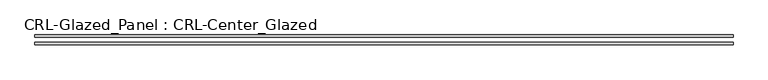
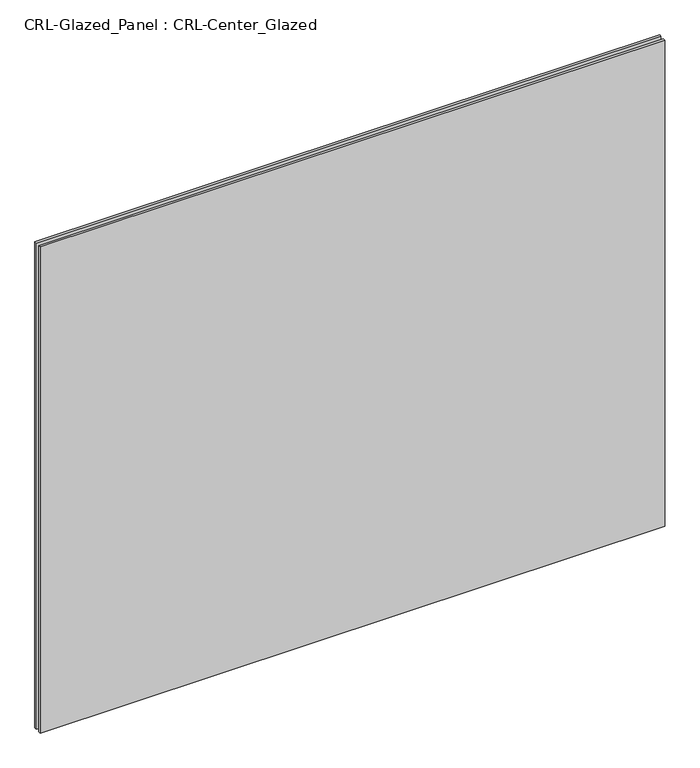
"""IFC4 building model written with IfcOpenShell, lengths in millimetres: plate geometry, CRL-Glazed_Panel : CRL-Center_Glazed."""

from ifc_helpers import new_model, si_unit, origin, origin_with_axes, place, context, project, spatial, polyline, outline, extrude, source, transform, mapped, element, save


def crl_glazed_panel_crl_center_glazed_f90f17e4(model_context):
    return source(origin(), model_context, "Body", "SweptSolid", [
        extrude(outline(polyline([(887.4125, 12.7), (887.4125, 6.35), (-887.4125, 6.35), (-887.4125, 12.7), (887.4125, 12.7)])), origin_with_axes(), (0.0, 0.0, 1.0), 1460.5),
        extrude(outline(polyline([(-887.4125, -6.35), (887.4125, -6.35), (887.4125, -12.7), (-887.4125, -12.7), (-887.4125, -6.35)])), origin_with_axes(), (0.0, 0.0, 1.0), 1460.5),
    ])


if __name__ == "__main__":
    model = new_model("IFC4")
    model_context = context("Model", 3, world=origin())
    ifc_project = project(units=[si_unit("LENGTHUNIT", "METRE", prefix="MILLI")], contexts=[model_context])
    site = spatial("IfcSite", under=ifc_project)
    building = spatial("IfcBuilding", under=site)
    placement = place(None, origin())
    crl_glazed_panel_crl_center_glazed_shape = crl_glazed_panel_crl_center_glazed_f90f17e4(model_context)
    element("IfcPlate", 1, ObjectType="CRL-Glazed_Panel : CRL-Center_Glazed", at=placement, inside=building, context=model_context, shape_type="MappedRepresentation", body=[
        mapped(crl_glazed_panel_crl_center_glazed_shape, transform((0.0, 0.0, 0.0), x_axis=(1.0, 0.0, 0.0), y_axis=(0.0, 1.0, 0.0), z_axis=(0.0, 0.0, 1.0))),
    ])
    save(model, "model.ifc")
